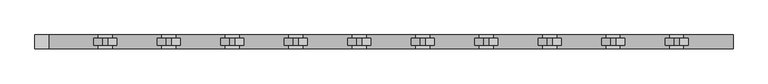
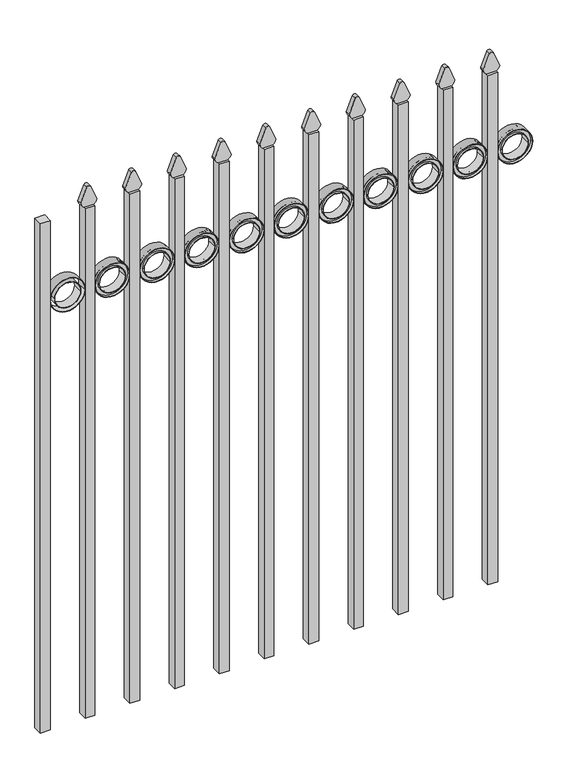
"""IFC4 building model written with IfcOpenShell, lengths in millimetres: railing geometry."""

import ifcopenshell
import ifcopenshell.guid

model = None  # the IFC model being written
_history = None  # IfcOwnerHistory: only IFC2X3 demands one
_inside = {}  # id of a spatial element -> (the spatial element, [elements in it])
_under = {}  # id of a project, library or spatial element -> (it, [spatial elements below it])
_declared = {}  # id of a project -> (the project, [libraries it declares])
_typed = {}  # id of a type object -> (the type object, [elements of that type])
_made_of = {}  # id of a material, layer set ... -> (it, [elements and type objects made of it])


def new_model(schema):
    """Start an empty IFC model of exactly this schema.

    Asked for "IFC4X3", IfcOpenShell would pick the latest addendum, in which some entities
    have other attributes; the version numbers below select the first issue.
    IFC2X3 requires an IfcOwnerHistory on every rooted entity: one is made here for all.
    """
    global model, _history
    if schema == "IFC4X3":
        model = ifcopenshell.file(schema_version=(4, 3, 0, 0))
    else:
        model = ifcopenshell.file(schema=schema)
    _inside.clear()
    _under.clear()
    _declared.clear()
    _typed.clear()
    _made_of.clear()
    _history = None
    if model.schema == "IFC2X3":
        org = make("IfcOrganization", Name="unknown")
        user = make(
            "IfcPersonAndOrganization",
            ThePerson=make("IfcPerson", FamilyName="unknown"),
            TheOrganization=org,
        )
        app = make(
            "IfcApplication",
            ApplicationDeveloper=org,
            Version="unknown",
            ApplicationFullName="unknown",
            ApplicationIdentifier="unknown",
        )
        _history = make(
            "IfcOwnerHistory",
            OwningUser=user,
            OwningApplication=app,
            ChangeAction="ADDED",
            CreationDate=0,
        )
    return model


def make(cls, **values):
    """One entity of the class cls with the attributes given. An attribute that is None is left unset."""
    return model.create_entity(
        cls, **{name: value for name, value in values.items() if value is not None}
    )


def rooted(cls, **values):
    """An entity with a GlobalId (a new one), such as an element, a storey or a relation."""
    return make(cls, GlobalId=ifcopenshell.guid.new(), OwnerHistory=_history, **values)


def si_unit(unit_type, name, prefix=None):
    """IfcSIUnit, for example si_unit("LENGTHUNIT", "METRE", prefix="MILLI")."""
    return make("IfcSIUnit", UnitType=unit_type, Prefix=prefix, Name=name)


def assignment(units):
    """IfcUnitAssignment: the units of a project."""
    return None if units is None else make("IfcUnitAssignment", Units=units)


def point(xyz):
    """IfcCartesianPoint."""
    return None if xyz is None else make("IfcCartesianPoint", Coordinates=xyz)


def direction(xyz):
    """IfcDirection."""
    return None if xyz is None else make("IfcDirection", DirectionRatios=xyz)


def frame(location, z_axis=None, x_axis=None):
    """IfcAxis2Placement3D, a coordinate frame: its origin and axes. An axis left out is left unset."""
    return make(
        "IfcAxis2Placement3D",
        Location=point(location),
        Axis=direction(z_axis),
        RefDirection=direction(x_axis),
    )


def frame_2d(location, x_axis=None):
    """IfcAxis2Placement2D, a coordinate frame in the plane: its origin and x axis."""
    return make(
        "IfcAxis2Placement2D", Location=point(location), RefDirection=direction(x_axis)
    )


def origin():
    """The frame at (0, 0, 0) with its axes left unset."""
    return frame((0.0, 0.0, 0.0))


def place(relative_to, where):
    """IfcLocalPlacement: puts the frame where relative to a parent placement (None: the world)."""
    return make(
        "IfcLocalPlacement", PlacementRelTo=relative_to, RelativePlacement=where
    )


def context(
    kind, dimensions, precision=None, world=None, true_north=None, identifier=None
):
    """IfcGeometricRepresentationContext, for example the 3D "Model" context."""
    return make(
        "IfcGeometricRepresentationContext",
        ContextIdentifier=identifier,
        ContextType=kind,
        CoordinateSpaceDimension=dimensions,
        Precision=precision,
        WorldCoordinateSystem=world,
        TrueNorth=true_north,
    )


def project(units=None, contexts=None):
    """IfcProject with its units and contexts."""
    return rooted(
        "IfcProject",
        Name="project",
        RepresentationContexts=contexts,
        UnitsInContext=assignment(units),
    )


def spatial(cls, under=None, at=None, **own):
    """A site, building, storey or space (cls), placed at a placement, below another one or the project."""
    s = rooted(cls, ObjectPlacement=at, **own)
    if under is not None:
        _under.setdefault(under.id(), (under, []))[1].append(s)
    return s


def polyline(points):
    """IfcPolyline through the points."""
    return make("IfcPolyline", Points=[point(p) for p in points])


def circle_curve(where, radius):
    """IfcCircle in the frame where."""
    return make("IfcCircle", Position=where, Radius=radius)


def trimmed(basis, trim1, trim2, sense, master):
    """IfcTrimmedCurve: the piece of a basis curve between two trims."""
    return make(
        "IfcTrimmedCurve",
        BasisCurve=basis,
        Trim1=trim1,
        Trim2=trim2,
        SenseAgreement=sense,
        MasterRepresentation=master,
    )


def segment(curve, same_sense, transition):
    """IfcCompositeCurveSegment."""
    return make(
        "IfcCompositeCurveSegment",
        Transition=transition,
        SameSense=same_sense,
        ParentCurve=curve,
    )


def composite_curve(segments, self_intersect=None):
    """IfcCompositeCurve: segments joined end to end."""
    return make("IfcCompositeCurve", Segments=segments, SelfIntersect=self_intersect)


def outline(outer, holes=None, kind="AREA"):
    """IfcArbitraryClosedProfileDef: a profile drawn as a closed curve; with holes, ...WithVoids."""
    if holes is None:
        return make("IfcArbitraryClosedProfileDef", ProfileType=kind, OuterCurve=outer)
    return make(
        "IfcArbitraryProfileDefWithVoids",
        ProfileType=kind,
        OuterCurve=outer,
        InnerCurves=holes,
    )


def extrude(swept, where, along, depth):
    """IfcExtrudedAreaSolid: the profile swept, set in the frame where, extruded along a direction by depth."""
    return make(
        "IfcExtrudedAreaSolid",
        SweptArea=swept,
        Position=where,
        ExtrudedDirection=direction(along),
        Depth=depth,
    )


def shape(context_of_items, identifier, shape_type, items):
    """IfcShapeRepresentation: the items that make up one representation, for example the "Body"."""
    return make(
        "IfcShapeRepresentation",
        ContextOfItems=context_of_items,
        RepresentationIdentifier=identifier,
        RepresentationType=shape_type,
        Items=items,
    )


def source(mapping_origin, context_of_items, identifier, shape_type, items):
    """IfcRepresentationMap: a shape defined once, which mapped items show again and again."""
    return make(
        "IfcRepresentationMap",
        MappingOrigin=mapping_origin,
        MappedRepresentation=shape(context_of_items, identifier, shape_type, items),
    )


def transform(
    local_origin,
    x_axis=None,
    y_axis=None,
    z_axis=None,
    scale=None,
    scale2=None,
    scale3=None,
    uniform=True,
):
    """IfcCartesianTransformationOperator3D, or its non-uniform kind. x_axis, y_axis, z_axis: its Axis1, 2, 3."""
    if uniform:
        return make(
            "IfcCartesianTransformationOperator3D",
            Axis1=direction(x_axis),
            Axis2=direction(y_axis),
            LocalOrigin=point(local_origin),
            Scale=scale,
            Axis3=direction(z_axis),
        )
    return make(
        "IfcCartesianTransformationOperator3DnonUniform",
        Axis1=direction(x_axis),
        Axis2=direction(y_axis),
        LocalOrigin=point(local_origin),
        Scale=scale,
        Axis3=direction(z_axis),
        Scale2=scale2,
        Scale3=scale3,
    )


def mapped(mapping_source, mapping_target):
    """IfcMappedItem: shows the shape of a source again, moved by a transform."""
    return make(
        "IfcMappedItem", MappingSource=mapping_source, MappingTarget=mapping_target
    )


def made_of(thing, what):
    """Note that an element or type object is made of a material, layer set ...; save() writes the relation."""
    if what is not None:
        _made_of.setdefault(what.id(), (what, []))[1].append(thing)
    return thing


def element(
    cls,
    number,
    at=None,
    inside=None,
    cuts=None,
    type_object=None,
    material=None,
    context=None,
    identifier="Body",
    shape_type=None,
    held_by="IfcProductDefinitionShape",
    body=None,
    shapes=None,
    **own,
):
    """One element of the class cls, such as IfcWall. Its Tag is "e" and its number.

    at: its placement. inside: the storey or other place that contains it. cuts: it is an
    opening in that element (IfcRelVoidsElement). A single representation is given by context,
    identifier, shape_type and body (its items); several are given by shapes. held_by: the class
    of the entity that holds the representations. save() writes the other relations.
    """
    e = rooted(cls, Tag="e%d" % number, ObjectPlacement=at, **own)
    if body is not None:
        shapes = [shape(context, identifier, shape_type, body)]
    if shapes is not None:
        e.Representation = make(held_by, Representations=shapes)
    if inside is not None:
        _inside.setdefault(inside.id(), (inside, []))[1].append(e)
    if cuts is not None:
        rooted(
            "IfcRelVoidsElement", RelatingBuildingElement=cuts, RelatedOpeningElement=e
        )
    if type_object is not None:
        _typed.setdefault(type_object.id(), (type_object, []))[1].append(e)
    return made_of(e, material)


def aggregate(whole, parts):
    """IfcRelAggregates: a whole, such as a stair, and the parts it consists of."""
    return rooted("IfcRelAggregates", RelatingObject=whole, RelatedObjects=parts)


def save(model, path):
    """Write the relations noted so far, then the file.

    IfcRelAggregates (storeys below a building ...), IfcRelContainedInSpatialStructure (elements
    in a storey), IfcRelDefinesByType, IfcRelAssociatesMaterial and IfcRelDeclares: one each for
    every whole, place, type object, material and project.
    """
    for whole, parts in _under.values():
        aggregate(whole, parts)
    for where, things in _inside.values():
        rooted(
            "IfcRelContainedInSpatialStructure",
            RelatedElements=things,
            RelatingStructure=where,
        )
    for kind, things in _typed.values():
        rooted("IfcRelDefinesByType", RelatedObjects=things, RelatingType=kind)
    for what, things in _made_of.values():
        rooted("IfcRelAssociatesMaterial", RelatedObjects=things, RelatingMaterial=what)
    for by, libraries in _declared.values():
        rooted("IfcRelDeclares", RelatingContext=by, RelatedDefinitions=libraries)
    model.write(path)


def railing_9eaf4788(model_context):
    return source(origin(), model_context, "Body", "SweptSolid", [
        extrude(outline(polyline([(-22591.9399936, 11905.619541), (-22566.5399936, 11905.619541), (-22566.5399936, 11880.219541), (-22591.9399936, 11880.219541), (-22591.9399936, 11905.619541)])), frame((0.0, 0.0, 50.8), z_axis=(0.0, 0.0, 1.0), x_axis=(1.0, 0.0, 0.0)), (0.0, 0.0, 1.0), 1413.6579232),
        extrude(outline(composite_curve([segment(trimmed(circle_curve(frame_2d((1242.1853669, -22520.4442595)), 45.6988591), [point((1242.1853669, -22474.7454004))], [point((1242.1853669, -22566.1431186))], False, "CARTESIAN"), True, "CONTINUOUS"), segment(trimmed(circle_curve(frame_2d((1242.1853669, -22520.4442595)), 45.6988591), [point((1242.1853669, -22566.1431186))], [point((1242.1853669, -22474.7454004))], False, "CARTESIAN"), True, "CONTINUOUS")], self_intersect=False), holes=[composite_curve([segment(trimmed(circle_curve(frame_2d((1242.1853669, -22520.4442595)), 44.101539), [point((1242.1853669, -22476.3427205))], [point((1242.1853669, -22564.5457985))], True, "CARTESIAN"), True, "CONTINUOUS"), segment(trimmed(circle_curve(frame_2d((1242.1853669, -22520.4442595)), 44.101539), [point((1242.1853669, -22564.5457985))], [point((1242.1853669, -22476.3427205))], True, "CARTESIAN"), True, "CONTINUOUS")], self_intersect=False)]), frame((0.0, 11880.219541, 0.0), z_axis=(0.0, 1.0, 0.0), x_axis=(0.0, 0.0, 1.0)), (0.0, 0.0, 1.0), 25.4),
        extrude(outline(composite_curve([segment(trimmed(circle_curve(frame_2d((1242.1853669, -22520.4442595)), 34.6370762), [point((1242.1853669, -22485.8071833))], [point((1242.1853669, -22555.0813357))], False, "CARTESIAN"), True, "CONTINUOUS"), segment(trimmed(circle_curve(frame_2d((1242.1853669, -22520.4442595)), 34.6370762), [point((1242.1853669, -22555.0813357))], [point((1242.1853669, -22485.8071833))], False, "CARTESIAN"), True, "CONTINUOUS")], self_intersect=False), holes=[composite_curve([segment(trimmed(circle_curve(frame_2d((1242.1853669, -22520.4442595)), 33.0443887), [point((1242.1853669, -22487.3998708))], [point((1242.1853669, -22553.4886482))], True, "CARTESIAN"), True, "CONTINUOUS"), segment(trimmed(circle_curve(frame_2d((1242.1853669, -22520.4442595)), 33.0443887), [point((1242.1853669, -22553.4886482))], [point((1242.1853669, -22487.3998708))], True, "CARTESIAN"), True, "CONTINUOUS")], self_intersect=False)]), frame((0.0, 11880.219541, 0.0), z_axis=(0.0, 1.0, 0.0), x_axis=(0.0, 0.0, 1.0)), (0.0, 0.0, 1.0), 25.4),
        extrude(outline(composite_curve([segment(polyline([(1464.6798417, -22591.9399936), (1464.6798417, -22566.2493116)]), True, "CONTINUOUS"), segment(trimmed(circle_curve(frame_2d((1482.9299402, -22580.4122336)), 23.1009622), [point((1464.6798417, -22566.2493116))], [point((1477.4676176, -22557.9663545))], False, "CARTESIAN"), True, "CONTINUOUS"), segment(polyline([(1477.4676176, -22557.9663545), (1517.9555225, -22574.2855644)]), True, "CONTINUOUS"), segment(trimmed(circle_curve(frame_2d((1514.8045804, -22579.4155764)), 6.0204202), [point((1517.9555225, -22574.2855644))], [point((1517.9555225, -22584.5455884))], False, "CARTESIAN"), True, "CONTINUOUS"), segment(polyline([(1517.9555225, -22584.5455884), (1478.7339948, -22600.4937724)]), True, "CONTINUOUS"), segment(trimmed(circle_curve(frame_2d((1482.9299402, -22577.7770716)), 23.1009622), [point((1478.7339948, -22600.4937724))], [point((1464.6798417, -22591.9399936))], False, "CARTESIAN"), True, "CONTINUOUS")], self_intersect=False)), frame((0.0, 11886.569541, 0.0), z_axis=(0.0, 1.0, 0.0), x_axis=(0.0, 0.0, 1.0)), (0.0, 0.0, 1.0), 12.7),
        extrude(outline(composite_curve([segment(trimmed(circle_curve(frame_2d((1242.1853669, -22520.4442595)), 45.6988591), [point((1242.1853669, -22474.7454004))], [point((1242.1853669, -22566.1431186))], False, "CARTESIAN"), True, "CONTINUOUS"), segment(trimmed(circle_curve(frame_2d((1242.1853669, -22520.4442595)), 45.6988591), [point((1242.1853669, -22566.1431186))], [point((1242.1853669, -22474.7454004))], False, "CARTESIAN"), True, "CONTINUOUS")], self_intersect=False), holes=[composite_curve([segment(trimmed(circle_curve(frame_2d((1242.1853669, -22520.4442595)), 33.0443887), [point((1242.1853669, -22487.3998708))], [point((1242.1853669, -22553.4886482))], True, "CARTESIAN"), True, "CONTINUOUS"), segment(trimmed(circle_curve(frame_2d((1242.1853669, -22520.4442595)), 33.0443887), [point((1242.1853669, -22553.4886482))], [point((1242.1853669, -22487.3998708))], True, "CARTESIAN"), True, "CONTINUOUS")], self_intersect=False)]), frame((0.0, 11886.569541, 0.0), z_axis=(0.0, 1.0, 0.0), x_axis=(0.0, 0.0, 1.0)), (0.0, 0.0, 1.0), 12.7),
        extrude(outline(polyline([(-22709.4149936, 11905.619541), (-22684.0149936, 11905.619541), (-22684.0149936, 11880.219541), (-22709.4149936, 11880.219541), (-22709.4149936, 11905.619541)])), frame((0.0, 0.0, 50.8), z_axis=(0.0, 0.0, 1.0), x_axis=(1.0, 0.0, 0.0)), (0.0, 0.0, 1.0), 1413.6579232),
        extrude(outline(composite_curve([segment(trimmed(circle_curve(frame_2d((1242.1853669, -22637.9192595)), 45.6988591), [point((1242.1853669, -22592.2204004))], [point((1242.1853669, -22683.6181186))], False, "CARTESIAN"), True, "CONTINUOUS"), segment(trimmed(circle_curve(frame_2d((1242.1853669, -22637.9192595)), 45.6988591), [point((1242.1853669, -22683.6181186))], [point((1242.1853669, -22592.2204004))], False, "CARTESIAN"), True, "CONTINUOUS")], self_intersect=False), holes=[composite_curve([segment(trimmed(circle_curve(frame_2d((1242.1853669, -22637.9192595)), 44.101539), [point((1242.1853669, -22593.8177205))], [point((1242.1853669, -22682.0207985))], True, "CARTESIAN"), True, "CONTINUOUS"), segment(trimmed(circle_curve(frame_2d((1242.1853669, -22637.9192595)), 44.101539), [point((1242.1853669, -22682.0207985))], [point((1242.1853669, -22593.8177205))], True, "CARTESIAN"), True, "CONTINUOUS")], self_intersect=False)]), frame((0.0, 11880.219541, 0.0), z_axis=(0.0, 1.0, 0.0), x_axis=(0.0, 0.0, 1.0)), (0.0, 0.0, 1.0), 25.4),
        extrude(outline(composite_curve([segment(trimmed(circle_curve(frame_2d((1242.1853669, -22637.9192595)), 34.6370762), [point((1242.1853669, -22603.2821833))], [point((1242.1853669, -22672.5563357))], False, "CARTESIAN"), True, "CONTINUOUS"), segment(trimmed(circle_curve(frame_2d((1242.1853669, -22637.9192595)), 34.6370762), [point((1242.1853669, -22672.5563357))], [point((1242.1853669, -22603.2821833))], False, "CARTESIAN"), True, "CONTINUOUS")], self_intersect=False), holes=[composite_curve([segment(trimmed(circle_curve(frame_2d((1242.1853669, -22637.9192595)), 33.0443887), [point((1242.1853669, -22604.8748708))], [point((1242.1853669, -22670.9636482))], True, "CARTESIAN"), True, "CONTINUOUS"), segment(trimmed(circle_curve(frame_2d((1242.1853669, -22637.9192595)), 33.0443887), [point((1242.1853669, -22670.9636482))], [point((1242.1853669, -22604.8748708))], True, "CARTESIAN"), True, "CONTINUOUS")], self_intersect=False)]), frame((0.0, 11880.219541, 0.0), z_axis=(0.0, 1.0, 0.0), x_axis=(0.0, 0.0, 1.0)), (0.0, 0.0, 1.0), 25.4),
        extrude(outline(composite_curve([segment(polyline([(1464.6798417, -22709.4149936), (1464.6798417, -22683.7243116)]), True, "CONTINUOUS"), segment(trimmed(circle_curve(frame_2d((1482.9299402, -22697.8872336)), 23.1009622), [point((1464.6798417, -22683.7243116))], [point((1477.4676176, -22675.4413545))], False, "CARTESIAN"), True, "CONTINUOUS"), segment(polyline([(1477.4676176, -22675.4413545), (1517.9555225, -22691.7605644)]), True, "CONTINUOUS"), segment(trimmed(circle_curve(frame_2d((1514.8045804, -22696.8905764)), 6.0204202), [point((1517.9555225, -22691.7605644))], [point((1517.9555225, -22702.0205884))], False, "CARTESIAN"), True, "CONTINUOUS"), segment(polyline([(1517.9555225, -22702.0205884), (1478.7339948, -22717.9687724)]), True, "CONTINUOUS"), segment(trimmed(circle_curve(frame_2d((1482.9299402, -22695.2520716)), 23.1009622), [point((1478.7339948, -22717.9687724))], [point((1464.6798417, -22709.4149936))], False, "CARTESIAN"), True, "CONTINUOUS")], self_intersect=False)), frame((0.0, 11886.569541, 0.0), z_axis=(0.0, 1.0, 0.0), x_axis=(0.0, 0.0, 1.0)), (0.0, 0.0, 1.0), 12.7),
        extrude(outline(composite_curve([segment(trimmed(circle_curve(frame_2d((1242.1853669, -22637.9192595)), 45.6988591), [point((1242.1853669, -22592.2204004))], [point((1242.1853669, -22683.6181186))], False, "CARTESIAN"), True, "CONTINUOUS"), segment(trimmed(circle_curve(frame_2d((1242.1853669, -22637.9192595)), 45.6988591), [point((1242.1853669, -22683.6181186))], [point((1242.1853669, -22592.2204004))], False, "CARTESIAN"), True, "CONTINUOUS")], self_intersect=False), holes=[composite_curve([segment(trimmed(circle_curve(frame_2d((1242.1853669, -22637.9192595)), 33.0443887), [point((1242.1853669, -22604.8748708))], [point((1242.1853669, -22670.9636482))], True, "CARTESIAN"), True, "CONTINUOUS"), segment(trimmed(circle_curve(frame_2d((1242.1853669, -22637.9192595)), 33.0443887), [point((1242.1853669, -22670.9636482))], [point((1242.1853669, -22604.8748708))], True, "CARTESIAN"), True, "CONTINUOUS")], self_intersect=False)]), frame((0.0, 11886.569541, 0.0), z_axis=(0.0, 1.0, 0.0), x_axis=(0.0, 0.0, 1.0)), (0.0, 0.0, 1.0), 12.7),
        extrude(outline(polyline([(-22826.8899936, 11905.619541), (-22801.4899936, 11905.619541), (-22801.4899936, 11880.219541), (-22826.8899936, 11880.219541), (-22826.8899936, 11905.619541)])), frame((0.0, 0.0, 50.8), z_axis=(0.0, 0.0, 1.0), x_axis=(1.0, 0.0, 0.0)), (0.0, 0.0, 1.0), 1413.6579232),
        extrude(outline(composite_curve([segment(trimmed(circle_curve(frame_2d((1242.1853669, -22755.3942595)), 45.6988591), [point((1242.1853669, -22709.6954004))], [point((1242.1853669, -22801.0931186))], False, "CARTESIAN"), True, "CONTINUOUS"), segment(trimmed(circle_curve(frame_2d((1242.1853669, -22755.3942595)), 45.6988591), [point((1242.1853669, -22801.0931186))], [point((1242.1853669, -22709.6954004))], False, "CARTESIAN"), True, "CONTINUOUS")], self_intersect=False), holes=[composite_curve([segment(trimmed(circle_curve(frame_2d((1242.1853669, -22755.3942595)), 44.101539), [point((1242.1853669, -22711.2927205))], [point((1242.1853669, -22799.4957985))], True, "CARTESIAN"), True, "CONTINUOUS"), segment(trimmed(circle_curve(frame_2d((1242.1853669, -22755.3942595)), 44.101539), [point((1242.1853669, -22799.4957985))], [point((1242.1853669, -22711.2927205))], True, "CARTESIAN"), True, "CONTINUOUS")], self_intersect=False)]), frame((0.0, 11880.219541, 0.0), z_axis=(0.0, 1.0, 0.0), x_axis=(0.0, 0.0, 1.0)), (0.0, 0.0, 1.0), 25.4),
        extrude(outline(composite_curve([segment(trimmed(circle_curve(frame_2d((1242.1853669, -22755.3942595)), 34.6370762), [point((1242.1853669, -22720.7571833))], [point((1242.1853669, -22790.0313357))], False, "CARTESIAN"), True, "CONTINUOUS"), segment(trimmed(circle_curve(frame_2d((1242.1853669, -22755.3942595)), 34.6370762), [point((1242.1853669, -22790.0313357))], [point((1242.1853669, -22720.7571833))], False, "CARTESIAN"), True, "CONTINUOUS")], self_intersect=False), holes=[composite_curve([segment(trimmed(circle_curve(frame_2d((1242.1853669, -22755.3942595)), 33.0443887), [point((1242.1853669, -22722.3498708))], [point((1242.1853669, -22788.4386482))], True, "CARTESIAN"), True, "CONTINUOUS"), segment(trimmed(circle_curve(frame_2d((1242.1853669, -22755.3942595)), 33.0443887), [point((1242.1853669, -22788.4386482))], [point((1242.1853669, -22722.3498708))], True, "CARTESIAN"), True, "CONTINUOUS")], self_intersect=False)]), frame((0.0, 11880.219541, 0.0), z_axis=(0.0, 1.0, 0.0), x_axis=(0.0, 0.0, 1.0)), (0.0, 0.0, 1.0), 25.4),
        extrude(outline(composite_curve([segment(polyline([(1464.6798417, -22826.8899936), (1464.6798417, -22801.1993116)]), True, "CONTINUOUS"), segment(trimmed(circle_curve(frame_2d((1482.9299402, -22815.3622336)), 23.1009622), [point((1464.6798417, -22801.1993116))], [point((1477.4676176, -22792.9163545))], False, "CARTESIAN"), True, "CONTINUOUS"), segment(polyline([(1477.4676176, -22792.9163545), (1517.9555225, -22809.2355644)]), True, "CONTINUOUS"), segment(trimmed(circle_curve(frame_2d((1514.8045804, -22814.3655764)), 6.0204202), [point((1517.9555225, -22809.2355644))], [point((1517.9555225, -22819.4955884))], False, "CARTESIAN"), True, "CONTINUOUS"), segment(polyline([(1517.9555225, -22819.4955884), (1478.7339948, -22835.4437724)]), True, "CONTINUOUS"), segment(trimmed(circle_curve(frame_2d((1482.9299402, -22812.7270716)), 23.1009622), [point((1478.7339948, -22835.4437724))], [point((1464.6798417, -22826.8899936))], False, "CARTESIAN"), True, "CONTINUOUS")], self_intersect=False)), frame((0.0, 11886.569541, 0.0), z_axis=(0.0, 1.0, 0.0), x_axis=(0.0, 0.0, 1.0)), (0.0, 0.0, 1.0), 12.7),
        extrude(outline(composite_curve([segment(trimmed(circle_curve(frame_2d((1242.1853669, -22755.3942595)), 45.6988591), [point((1242.1853669, -22709.6954004))], [point((1242.1853669, -22801.0931186))], False, "CARTESIAN"), True, "CONTINUOUS"), segment(trimmed(circle_curve(frame_2d((1242.1853669, -22755.3942595)), 45.6988591), [point((1242.1853669, -22801.0931186))], [point((1242.1853669, -22709.6954004))], False, "CARTESIAN"), True, "CONTINUOUS")], self_intersect=False), holes=[composite_curve([segment(trimmed(circle_curve(frame_2d((1242.1853669, -22755.3942595)), 33.0443887), [point((1242.1853669, -22722.3498708))], [point((1242.1853669, -22788.4386482))], True, "CARTESIAN"), True, "CONTINUOUS"), segment(trimmed(circle_curve(frame_2d((1242.1853669, -22755.3942595)), 33.0443887), [point((1242.1853669, -22788.4386482))], [point((1242.1853669, -22722.3498708))], True, "CARTESIAN"), True, "CONTINUOUS")], self_intersect=False)]), frame((0.0, 11886.569541, 0.0), z_axis=(0.0, 1.0, 0.0), x_axis=(0.0, 0.0, 1.0)), (0.0, 0.0, 1.0), 12.7),
        extrude(outline(polyline([(-22944.3649936, 11905.619541), (-22918.9649936, 11905.619541), (-22918.9649936, 11880.219541), (-22944.3649936, 11880.219541), (-22944.3649936, 11905.619541)])), frame((0.0, 0.0, 50.8), z_axis=(0.0, 0.0, 1.0), x_axis=(1.0, 0.0, 0.0)), (0.0, 0.0, 1.0), 1413.6579232),
        extrude(outline(composite_curve([segment(trimmed(circle_curve(frame_2d((1242.1853669, -22872.8692595)), 45.6988591), [point((1242.1853669, -22827.1704004))], [point((1242.1853669, -22918.5681186))], False, "CARTESIAN"), True, "CONTINUOUS"), segment(trimmed(circle_curve(frame_2d((1242.1853669, -22872.8692595)), 45.6988591), [point((1242.1853669, -22918.5681186))], [point((1242.1853669, -22827.1704004))], False, "CARTESIAN"), True, "CONTINUOUS")], self_intersect=False), holes=[composite_curve([segment(trimmed(circle_curve(frame_2d((1242.1853669, -22872.8692595)), 44.101539), [point((1242.1853669, -22828.7677205))], [point((1242.1853669, -22916.9707985))], True, "CARTESIAN"), True, "CONTINUOUS"), segment(trimmed(circle_curve(frame_2d((1242.1853669, -22872.8692595)), 44.101539), [point((1242.1853669, -22916.9707985))], [point((1242.1853669, -22828.7677205))], True, "CARTESIAN"), True, "CONTINUOUS")], self_intersect=False)]), frame((0.0, 11880.219541, 0.0), z_axis=(0.0, 1.0, 0.0), x_axis=(0.0, 0.0, 1.0)), (0.0, 0.0, 1.0), 25.4),
        extrude(outline(composite_curve([segment(trimmed(circle_curve(frame_2d((1242.1853669, -22872.8692595)), 34.6370762), [point((1242.1853669, -22838.2321833))], [point((1242.1853669, -22907.5063357))], False, "CARTESIAN"), True, "CONTINUOUS"), segment(trimmed(circle_curve(frame_2d((1242.1853669, -22872.8692595)), 34.6370762), [point((1242.1853669, -22907.5063357))], [point((1242.1853669, -22838.2321833))], False, "CARTESIAN"), True, "CONTINUOUS")], self_intersect=False), holes=[composite_curve([segment(trimmed(circle_curve(frame_2d((1242.1853669, -22872.8692595)), 33.0443887), [point((1242.1853669, -22839.8248708))], [point((1242.1853669, -22905.9136482))], True, "CARTESIAN"), True, "CONTINUOUS"), segment(trimmed(circle_curve(frame_2d((1242.1853669, -22872.8692595)), 33.0443887), [point((1242.1853669, -22905.9136482))], [point((1242.1853669, -22839.8248708))], True, "CARTESIAN"), True, "CONTINUOUS")], self_intersect=False)]), frame((0.0, 11880.219541, 0.0), z_axis=(0.0, 1.0, 0.0), x_axis=(0.0, 0.0, 1.0)), (0.0, 0.0, 1.0), 25.4),
        extrude(outline(composite_curve([segment(polyline([(1464.6798417, -22944.3649936), (1464.6798417, -22918.6743116)]), True, "CONTINUOUS"), segment(trimmed(circle_curve(frame_2d((1482.9299402, -22932.8372336)), 23.1009622), [point((1464.6798417, -22918.6743116))], [point((1477.4676176, -22910.3913545))], False, "CARTESIAN"), True, "CONTINUOUS"), segment(polyline([(1477.4676176, -22910.3913545), (1517.9555225, -22926.7105644)]), True, "CONTINUOUS"), segment(trimmed(circle_curve(frame_2d((1514.8045804, -22931.8405764)), 6.0204202), [point((1517.9555225, -22926.7105644))], [point((1517.9555225, -22936.9705884))], False, "CARTESIAN"), True, "CONTINUOUS"), segment(polyline([(1517.9555225, -22936.9705884), (1478.7339948, -22952.9187724)]), True, "CONTINUOUS"), segment(trimmed(circle_curve(frame_2d((1482.9299402, -22930.2020716)), 23.1009622), [point((1478.7339948, -22952.9187724))], [point((1464.6798417, -22944.3649936))], False, "CARTESIAN"), True, "CONTINUOUS")], self_intersect=False)), frame((0.0, 11886.569541, 0.0), z_axis=(0.0, 1.0, 0.0), x_axis=(0.0, 0.0, 1.0)), (0.0, 0.0, 1.0), 12.7),
        extrude(outline(composite_curve([segment(trimmed(circle_curve(frame_2d((1242.1853669, -22872.8692595)), 45.6988591), [point((1242.1853669, -22827.1704004))], [point((1242.1853669, -22918.5681186))], False, "CARTESIAN"), True, "CONTINUOUS"), segment(trimmed(circle_curve(frame_2d((1242.1853669, -22872.8692595)), 45.6988591), [point((1242.1853669, -22918.5681186))], [point((1242.1853669, -22827.1704004))], False, "CARTESIAN"), True, "CONTINUOUS")], self_intersect=False), holes=[composite_curve([segment(trimmed(circle_curve(frame_2d((1242.1853669, -22872.8692595)), 33.0443887), [point((1242.1853669, -22839.8248708))], [point((1242.1853669, -22905.9136482))], True, "CARTESIAN"), True, "CONTINUOUS"), segment(trimmed(circle_curve(frame_2d((1242.1853669, -22872.8692595)), 33.0443887), [point((1242.1853669, -22905.9136482))], [point((1242.1853669, -22839.8248708))], True, "CARTESIAN"), True, "CONTINUOUS")], self_intersect=False)]), frame((0.0, 11886.569541, 0.0), z_axis=(0.0, 1.0, 0.0), x_axis=(0.0, 0.0, 1.0)), (0.0, 0.0, 1.0), 12.7),
        extrude(outline(polyline([(-23061.8399936, 11905.619541), (-23036.4399936, 11905.619541), (-23036.4399936, 11880.219541), (-23061.8399936, 11880.219541), (-23061.8399936, 11905.619541)])), frame((0.0, 0.0, 50.8), z_axis=(0.0, 0.0, 1.0), x_axis=(1.0, 0.0, 0.0)), (0.0, 0.0, 1.0), 1413.6579232),
        extrude(outline(composite_curve([segment(trimmed(circle_curve(frame_2d((1242.1853669, -22990.3442595)), 45.6988591), [point((1242.1853669, -22944.6454004))], [point((1242.1853669, -23036.0431186))], False, "CARTESIAN"), True, "CONTINUOUS"), segment(trimmed(circle_curve(frame_2d((1242.1853669, -22990.3442595)), 45.6988591), [point((1242.1853669, -23036.0431186))], [point((1242.1853669, -22944.6454004))], False, "CARTESIAN"), True, "CONTINUOUS")], self_intersect=False), holes=[composite_curve([segment(trimmed(circle_curve(frame_2d((1242.1853669, -22990.3442595)), 44.101539), [point((1242.1853669, -22946.2427205))], [point((1242.1853669, -23034.4457985))], True, "CARTESIAN"), True, "CONTINUOUS"), segment(trimmed(circle_curve(frame_2d((1242.1853669, -22990.3442595)), 44.101539), [point((1242.1853669, -23034.4457985))], [point((1242.1853669, -22946.2427205))], True, "CARTESIAN"), True, "CONTINUOUS")], self_intersect=False)]), frame((0.0, 11880.219541, 0.0), z_axis=(0.0, 1.0, 0.0), x_axis=(0.0, 0.0, 1.0)), (0.0, 0.0, 1.0), 25.4),
        extrude(outline(composite_curve([segment(trimmed(circle_curve(frame_2d((1242.1853669, -22990.3442595)), 34.6370762), [point((1242.1853669, -22955.7071833))], [point((1242.1853669, -23024.9813357))], False, "CARTESIAN"), True, "CONTINUOUS"), segment(trimmed(circle_curve(frame_2d((1242.1853669, -22990.3442595)), 34.6370762), [point((1242.1853669, -23024.9813357))], [point((1242.1853669, -22955.7071833))], False, "CARTESIAN"), True, "CONTINUOUS")], self_intersect=False), holes=[composite_curve([segment(trimmed(circle_curve(frame_2d((1242.1853669, -22990.3442595)), 33.0443887), [point((1242.1853669, -22957.2998708))], [point((1242.1853669, -23023.3886482))], True, "CARTESIAN"), True, "CONTINUOUS"), segment(trimmed(circle_curve(frame_2d((1242.1853669, -22990.3442595)), 33.0443887), [point((1242.1853669, -23023.3886482))], [point((1242.1853669, -22957.2998708))], True, "CARTESIAN"), True, "CONTINUOUS")], self_intersect=False)]), frame((0.0, 11880.219541, 0.0), z_axis=(0.0, 1.0, 0.0), x_axis=(0.0, 0.0, 1.0)), (0.0, 0.0, 1.0), 25.4),
        extrude(outline(composite_curve([segment(polyline([(1464.6798417, -23061.8399936), (1464.6798417, -23036.1493116)]), True, "CONTINUOUS"), segment(trimmed(circle_curve(frame_2d((1482.9299402, -23050.3122336)), 23.1009622), [point((1464.6798417, -23036.1493116))], [point((1477.4676176, -23027.8663545))], False, "CARTESIAN"), True, "CONTINUOUS"), segment(polyline([(1477.4676176, -23027.8663545), (1517.9555225, -23044.1855644)]), True, "CONTINUOUS"), segment(trimmed(circle_curve(frame_2d((1514.8045804, -23049.3155764)), 6.0204202), [point((1517.9555225, -23044.1855644))], [point((1517.9555225, -23054.4455884))], False, "CARTESIAN"), True, "CONTINUOUS"), segment(polyline([(1517.9555225, -23054.4455884), (1478.7339948, -23070.3937724)]), True, "CONTINUOUS"), segment(trimmed(circle_curve(frame_2d((1482.9299402, -23047.6770716)), 23.1009622), [point((1478.7339948, -23070.3937724))], [point((1464.6798417, -23061.8399936))], False, "CARTESIAN"), True, "CONTINUOUS")], self_intersect=False)), frame((0.0, 11886.569541, 0.0), z_axis=(0.0, 1.0, 0.0), x_axis=(0.0, 0.0, 1.0)), (0.0, 0.0, 1.0), 12.7),
        extrude(outline(composite_curve([segment(trimmed(circle_curve(frame_2d((1242.1853669, -22990.3442595)), 45.6988591), [point((1242.1853669, -22944.6454004))], [point((1242.1853669, -23036.0431186))], False, "CARTESIAN"), True, "CONTINUOUS"), segment(trimmed(circle_curve(frame_2d((1242.1853669, -22990.3442595)), 45.6988591), [point((1242.1853669, -23036.0431186))], [point((1242.1853669, -22944.6454004))], False, "CARTESIAN"), True, "CONTINUOUS")], self_intersect=False), holes=[composite_curve([segment(trimmed(circle_curve(frame_2d((1242.1853669, -22990.3442595)), 33.0443887), [point((1242.1853669, -22957.2998708))], [point((1242.1853669, -23023.3886482))], True, "CARTESIAN"), True, "CONTINUOUS"), segment(trimmed(circle_curve(frame_2d((1242.1853669, -22990.3442595)), 33.0443887), [point((1242.1853669, -23023.3886482))], [point((1242.1853669, -22957.2998708))], True, "CARTESIAN"), True, "CONTINUOUS")], self_intersect=False)]), frame((0.0, 11886.569541, 0.0), z_axis=(0.0, 1.0, 0.0), x_axis=(0.0, 0.0, 1.0)), (0.0, 0.0, 1.0), 12.7),
        extrude(outline(polyline([(-23179.3149936, 11905.619541), (-23153.9149936, 11905.619541), (-23153.9149936, 11880.219541), (-23179.3149936, 11880.219541), (-23179.3149936, 11905.619541)])), frame((0.0, 0.0, 50.8), z_axis=(0.0, 0.0, 1.0), x_axis=(1.0, 0.0, 0.0)), (0.0, 0.0, 1.0), 1413.6579232),
        extrude(outline(composite_curve([segment(trimmed(circle_curve(frame_2d((1242.1853669, -23107.8192595)), 45.6988591), [point((1242.1853669, -23062.1204004))], [point((1242.1853669, -23153.5181186))], False, "CARTESIAN"), True, "CONTINUOUS"), segment(trimmed(circle_curve(frame_2d((1242.1853669, -23107.8192595)), 45.6988591), [point((1242.1853669, -23153.5181186))], [point((1242.1853669, -23062.1204004))], False, "CARTESIAN"), True, "CONTINUOUS")], self_intersect=False), holes=[composite_curve([segment(trimmed(circle_curve(frame_2d((1242.1853669, -23107.8192595)), 44.101539), [point((1242.1853669, -23063.7177205))], [point((1242.1853669, -23151.9207985))], True, "CARTESIAN"), True, "CONTINUOUS"), segment(trimmed(circle_curve(frame_2d((1242.1853669, -23107.8192595)), 44.101539), [point((1242.1853669, -23151.9207985))], [point((1242.1853669, -23063.7177205))], True, "CARTESIAN"), True, "CONTINUOUS")], self_intersect=False)]), frame((0.0, 11880.219541, 0.0), z_axis=(0.0, 1.0, 0.0), x_axis=(0.0, 0.0, 1.0)), (0.0, 0.0, 1.0), 25.4),
        extrude(outline(composite_curve([segment(trimmed(circle_curve(frame_2d((1242.1853669, -23107.8192595)), 34.6370762), [point((1242.1853669, -23073.1821833))], [point((1242.1853669, -23142.4563357))], False, "CARTESIAN"), True, "CONTINUOUS"), segment(trimmed(circle_curve(frame_2d((1242.1853669, -23107.8192595)), 34.6370762), [point((1242.1853669, -23142.4563357))], [point((1242.1853669, -23073.1821833))], False, "CARTESIAN"), True, "CONTINUOUS")], self_intersect=False), holes=[composite_curve([segment(trimmed(circle_curve(frame_2d((1242.1853669, -23107.8192595)), 33.0443887), [point((1242.1853669, -23074.7748708))], [point((1242.1853669, -23140.8636482))], True, "CARTESIAN"), True, "CONTINUOUS"), segment(trimmed(circle_curve(frame_2d((1242.1853669, -23107.8192595)), 33.0443887), [point((1242.1853669, -23140.8636482))], [point((1242.1853669, -23074.7748708))], True, "CARTESIAN"), True, "CONTINUOUS")], self_intersect=False)]), frame((0.0, 11880.219541, 0.0), z_axis=(0.0, 1.0, 0.0), x_axis=(0.0, 0.0, 1.0)), (0.0, 0.0, 1.0), 25.4),
        extrude(outline(composite_curve([segment(polyline([(1464.6798417, -23179.3149936), (1464.6798417, -23153.6243116)]), True, "CONTINUOUS"), segment(trimmed(circle_curve(frame_2d((1482.9299402, -23167.7872336)), 23.1009622), [point((1464.6798417, -23153.6243116))], [point((1477.4676176, -23145.3413545))], False, "CARTESIAN"), True, "CONTINUOUS"), segment(polyline([(1477.4676176, -23145.3413545), (1517.9555225, -23161.6605644)]), True, "CONTINUOUS"), segment(trimmed(circle_curve(frame_2d((1514.8045804, -23166.7905764)), 6.0204202), [point((1517.9555225, -23161.6605644))], [point((1517.9555225, -23171.9205884))], False, "CARTESIAN"), True, "CONTINUOUS"), segment(polyline([(1517.9555225, -23171.9205884), (1478.7339948, -23187.8687724)]), True, "CONTINUOUS"), segment(trimmed(circle_curve(frame_2d((1482.9299402, -23165.1520716)), 23.1009622), [point((1478.7339948, -23187.8687724))], [point((1464.6798417, -23179.3149936))], False, "CARTESIAN"), True, "CONTINUOUS")], self_intersect=False)), frame((0.0, 11886.569541, 0.0), z_axis=(0.0, 1.0, 0.0), x_axis=(0.0, 0.0, 1.0)), (0.0, 0.0, 1.0), 12.7),
        extrude(outline(composite_curve([segment(trimmed(circle_curve(frame_2d((1242.1853669, -23107.8192595)), 45.6988591), [point((1242.1853669, -23062.1204004))], [point((1242.1853669, -23153.5181186))], False, "CARTESIAN"), True, "CONTINUOUS"), segment(trimmed(circle_curve(frame_2d((1242.1853669, -23107.8192595)), 45.6988591), [point((1242.1853669, -23153.5181186))], [point((1242.1853669, -23062.1204004))], False, "CARTESIAN"), True, "CONTINUOUS")], self_intersect=False), holes=[composite_curve([segment(trimmed(circle_curve(frame_2d((1242.1853669, -23107.8192595)), 33.0443887), [point((1242.1853669, -23074.7748708))], [point((1242.1853669, -23140.8636482))], True, "CARTESIAN"), True, "CONTINUOUS"), segment(trimmed(circle_curve(frame_2d((1242.1853669, -23107.8192595)), 33.0443887), [point((1242.1853669, -23140.8636482))], [point((1242.1853669, -23074.7748708))], True, "CARTESIAN"), True, "CONTINUOUS")], self_intersect=False)]), frame((0.0, 11886.569541, 0.0), z_axis=(0.0, 1.0, 0.0), x_axis=(0.0, 0.0, 1.0)), (0.0, 0.0, 1.0), 12.7),
        extrude(outline(polyline([(-23296.7899936, 11905.619541), (-23271.3899936, 11905.619541), (-23271.3899936, 11880.219541), (-23296.7899936, 11880.219541), (-23296.7899936, 11905.619541)])), frame((0.0, 0.0, 50.8), z_axis=(0.0, 0.0, 1.0), x_axis=(1.0, 0.0, 0.0)), (0.0, 0.0, 1.0), 1413.6579232),
        extrude(outline(composite_curve([segment(trimmed(circle_curve(frame_2d((1242.1853669, -23225.2942595)), 45.6988591), [point((1242.1853669, -23179.5954004))], [point((1242.1853669, -23270.9931186))], False, "CARTESIAN"), True, "CONTINUOUS"), segment(trimmed(circle_curve(frame_2d((1242.1853669, -23225.2942595)), 45.6988591), [point((1242.1853669, -23270.9931186))], [point((1242.1853669, -23179.5954004))], False, "CARTESIAN"), True, "CONTINUOUS")], self_intersect=False), holes=[composite_curve([segment(trimmed(circle_curve(frame_2d((1242.1853669, -23225.2942595)), 44.101539), [point((1242.1853669, -23181.1927205))], [point((1242.1853669, -23269.3957985))], True, "CARTESIAN"), True, "CONTINUOUS"), segment(trimmed(circle_curve(frame_2d((1242.1853669, -23225.2942595)), 44.101539), [point((1242.1853669, -23269.3957985))], [point((1242.1853669, -23181.1927205))], True, "CARTESIAN"), True, "CONTINUOUS")], self_intersect=False)]), frame((0.0, 11880.219541, 0.0), z_axis=(0.0, 1.0, 0.0), x_axis=(0.0, 0.0, 1.0)), (0.0, 0.0, 1.0), 25.4),
        extrude(outline(composite_curve([segment(trimmed(circle_curve(frame_2d((1242.1853669, -23225.2942595)), 34.6370762), [point((1242.1853669, -23190.6571833))], [point((1242.1853669, -23259.9313357))], False, "CARTESIAN"), True, "CONTINUOUS"), segment(trimmed(circle_curve(frame_2d((1242.1853669, -23225.2942595)), 34.6370762), [point((1242.1853669, -23259.9313357))], [point((1242.1853669, -23190.6571833))], False, "CARTESIAN"), True, "CONTINUOUS")], self_intersect=False), holes=[composite_curve([segment(trimmed(circle_curve(frame_2d((1242.1853669, -23225.2942595)), 33.0443887), [point((1242.1853669, -23192.2498708))], [point((1242.1853669, -23258.3386482))], True, "CARTESIAN"), True, "CONTINUOUS"), segment(trimmed(circle_curve(frame_2d((1242.1853669, -23225.2942595)), 33.0443887), [point((1242.1853669, -23258.3386482))], [point((1242.1853669, -23192.2498708))], True, "CARTESIAN"), True, "CONTINUOUS")], self_intersect=False)]), frame((0.0, 11880.219541, 0.0), z_axis=(0.0, 1.0, 0.0), x_axis=(0.0, 0.0, 1.0)), (0.0, 0.0, 1.0), 25.4),
        extrude(outline(composite_curve([segment(polyline([(1464.6798417, -23296.7899936), (1464.6798417, -23271.0993116)]), True, "CONTINUOUS"), segment(trimmed(circle_curve(frame_2d((1482.9299402, -23285.2622336)), 23.1009622), [point((1464.6798417, -23271.0993116))], [point((1477.4676176, -23262.8163545))], False, "CARTESIAN"), True, "CONTINUOUS"), segment(polyline([(1477.4676176, -23262.8163545), (1517.9555225, -23279.1355644)]), True, "CONTINUOUS"), segment(trimmed(circle_curve(frame_2d((1514.8045804, -23284.2655764)), 6.0204202), [point((1517.9555225, -23279.1355644))], [point((1517.9555225, -23289.3955884))], False, "CARTESIAN"), True, "CONTINUOUS"), segment(polyline([(1517.9555225, -23289.3955884), (1478.7339948, -23305.3437724)]), True, "CONTINUOUS"), segment(trimmed(circle_curve(frame_2d((1482.9299402, -23282.6270716)), 23.1009622), [point((1478.7339948, -23305.3437724))], [point((1464.6798417, -23296.7899936))], False, "CARTESIAN"), True, "CONTINUOUS")], self_intersect=False)), frame((0.0, 11886.569541, 0.0), z_axis=(0.0, 1.0, 0.0), x_axis=(0.0, 0.0, 1.0)), (0.0, 0.0, 1.0), 12.7),
        extrude(outline(composite_curve([segment(trimmed(circle_curve(frame_2d((1242.1853669, -23225.2942595)), 45.6988591), [point((1242.1853669, -23179.5954004))], [point((1242.1853669, -23270.9931186))], False, "CARTESIAN"), True, "CONTINUOUS"), segment(trimmed(circle_curve(frame_2d((1242.1853669, -23225.2942595)), 45.6988591), [point((1242.1853669, -23270.9931186))], [point((1242.1853669, -23179.5954004))], False, "CARTESIAN"), True, "CONTINUOUS")], self_intersect=False), holes=[composite_curve([segment(trimmed(circle_curve(frame_2d((1242.1853669, -23225.2942595)), 33.0443887), [point((1242.1853669, -23192.2498708))], [point((1242.1853669, -23258.3386482))], True, "CARTESIAN"), True, "CONTINUOUS"), segment(trimmed(circle_curve(frame_2d((1242.1853669, -23225.2942595)), 33.0443887), [point((1242.1853669, -23258.3386482))], [point((1242.1853669, -23192.2498708))], True, "CARTESIAN"), True, "CONTINUOUS")], self_intersect=False)]), frame((0.0, 11886.569541, 0.0), z_axis=(0.0, 1.0, 0.0), x_axis=(0.0, 0.0, 1.0)), (0.0, 0.0, 1.0), 12.7),
        extrude(outline(polyline([(-23414.2649936, 11905.619541), (-23388.8649936, 11905.619541), (-23388.8649936, 11880.219541), (-23414.2649936, 11880.219541), (-23414.2649936, 11905.619541)])), frame((0.0, 0.0, 50.8), z_axis=(0.0, 0.0, 1.0), x_axis=(1.0, 0.0, 0.0)), (0.0, 0.0, 1.0), 1413.6579232),
        extrude(outline(composite_curve([segment(trimmed(circle_curve(frame_2d((1242.1853669, -23342.7692595)), 45.6988591), [point((1242.1853669, -23297.0704004))], [point((1242.1853669, -23388.4681186))], False, "CARTESIAN"), True, "CONTINUOUS"), segment(trimmed(circle_curve(frame_2d((1242.1853669, -23342.7692595)), 45.6988591), [point((1242.1853669, -23388.4681186))], [point((1242.1853669, -23297.0704004))], False, "CARTESIAN"), True, "CONTINUOUS")], self_intersect=False), holes=[composite_curve([segment(trimmed(circle_curve(frame_2d((1242.1853669, -23342.7692595)), 44.101539), [point((1242.1853669, -23298.6677205))], [point((1242.1853669, -23386.8707985))], True, "CARTESIAN"), True, "CONTINUOUS"), segment(trimmed(circle_curve(frame_2d((1242.1853669, -23342.7692595)), 44.101539), [point((1242.1853669, -23386.8707985))], [point((1242.1853669, -23298.6677205))], True, "CARTESIAN"), True, "CONTINUOUS")], self_intersect=False)]), frame((0.0, 11880.219541, 0.0), z_axis=(0.0, 1.0, 0.0), x_axis=(0.0, 0.0, 1.0)), (0.0, 0.0, 1.0), 25.4),
        extrude(outline(composite_curve([segment(trimmed(circle_curve(frame_2d((1242.1853669, -23342.7692595)), 34.6370762), [point((1242.1853669, -23308.1321833))], [point((1242.1853669, -23377.4063357))], False, "CARTESIAN"), True, "CONTINUOUS"), segment(trimmed(circle_curve(frame_2d((1242.1853669, -23342.7692595)), 34.6370762), [point((1242.1853669, -23377.4063357))], [point((1242.1853669, -23308.1321833))], False, "CARTESIAN"), True, "CONTINUOUS")], self_intersect=False), holes=[composite_curve([segment(trimmed(circle_curve(frame_2d((1242.1853669, -23342.7692595)), 33.0443887), [point((1242.1853669, -23309.7248708))], [point((1242.1853669, -23375.8136482))], True, "CARTESIAN"), True, "CONTINUOUS"), segment(trimmed(circle_curve(frame_2d((1242.1853669, -23342.7692595)), 33.0443887), [point((1242.1853669, -23375.8136482))], [point((1242.1853669, -23309.7248708))], True, "CARTESIAN"), True, "CONTINUOUS")], self_intersect=False)]), frame((0.0, 11880.219541, 0.0), z_axis=(0.0, 1.0, 0.0), x_axis=(0.0, 0.0, 1.0)), (0.0, 0.0, 1.0), 25.4),
        extrude(outline(composite_curve([segment(polyline([(1464.6798417, -23414.2649936), (1464.6798417, -23388.5743116)]), True, "CONTINUOUS"), segment(trimmed(circle_curve(frame_2d((1482.9299402, -23402.7372336)), 23.1009622), [point((1464.6798417, -23388.5743116))], [point((1477.4676176, -23380.2913545))], False, "CARTESIAN"), True, "CONTINUOUS"), segment(polyline([(1477.4676176, -23380.2913545), (1517.9555225, -23396.6105644)]), True, "CONTINUOUS"), segment(trimmed(circle_curve(frame_2d((1514.8045804, -23401.7405764)), 6.0204202), [point((1517.9555225, -23396.6105644))], [point((1517.9555225, -23406.8705884))], False, "CARTESIAN"), True, "CONTINUOUS"), segment(polyline([(1517.9555225, -23406.8705884), (1478.7339948, -23422.8187724)]), True, "CONTINUOUS"), segment(trimmed(circle_curve(frame_2d((1482.9299402, -23400.1020716)), 23.1009622), [point((1478.7339948, -23422.8187724))], [point((1464.6798417, -23414.2649936))], False, "CARTESIAN"), True, "CONTINUOUS")], self_intersect=False)), frame((0.0, 11886.569541, 0.0), z_axis=(0.0, 1.0, 0.0), x_axis=(0.0, 0.0, 1.0)), (0.0, 0.0, 1.0), 12.7),
        extrude(outline(composite_curve([segment(trimmed(circle_curve(frame_2d((1242.1853669, -23342.7692595)), 45.6988591), [point((1242.1853669, -23297.0704004))], [point((1242.1853669, -23388.4681186))], False, "CARTESIAN"), True, "CONTINUOUS"), segment(trimmed(circle_curve(frame_2d((1242.1853669, -23342.7692595)), 45.6988591), [point((1242.1853669, -23388.4681186))], [point((1242.1853669, -23297.0704004))], False, "CARTESIAN"), True, "CONTINUOUS")], self_intersect=False), holes=[composite_curve([segment(trimmed(circle_curve(frame_2d((1242.1853669, -23342.7692595)), 33.0443887), [point((1242.1853669, -23309.7248708))], [point((1242.1853669, -23375.8136482))], True, "CARTESIAN"), True, "CONTINUOUS"), segment(trimmed(circle_curve(frame_2d((1242.1853669, -23342.7692595)), 33.0443887), [point((1242.1853669, -23375.8136482))], [point((1242.1853669, -23309.7248708))], True, "CARTESIAN"), True, "CONTINUOUS")], self_intersect=False)]), frame((0.0, 11886.569541, 0.0), z_axis=(0.0, 1.0, 0.0), x_axis=(0.0, 0.0, 1.0)), (0.0, 0.0, 1.0), 12.7),
        extrude(outline(polyline([(-23531.7399936, 11905.619541), (-23506.3399936, 11905.619541), (-23506.3399936, 11880.219541), (-23531.7399936, 11880.219541), (-23531.7399936, 11905.619541)])), frame((0.0, 0.0, 50.8), z_axis=(0.0, 0.0, 1.0), x_axis=(1.0, 0.0, 0.0)), (0.0, 0.0, 1.0), 1413.6579232),
        extrude(outline(composite_curve([segment(trimmed(circle_curve(frame_2d((1242.1853669, -23460.2442595)), 45.6988591), [point((1242.1853669, -23414.5454004))], [point((1242.1853669, -23505.9431186))], False, "CARTESIAN"), True, "CONTINUOUS"), segment(trimmed(circle_curve(frame_2d((1242.1853669, -23460.2442595)), 45.6988591), [point((1242.1853669, -23505.9431186))], [point((1242.1853669, -23414.5454004))], False, "CARTESIAN"), True, "CONTINUOUS")], self_intersect=False), holes=[composite_curve([segment(trimmed(circle_curve(frame_2d((1242.1853669, -23460.2442595)), 44.101539), [point((1242.1853669, -23416.1427205))], [point((1242.1853669, -23504.3457985))], True, "CARTESIAN"), True, "CONTINUOUS"), segment(trimmed(circle_curve(frame_2d((1242.1853669, -23460.2442595)), 44.101539), [point((1242.1853669, -23504.3457985))], [point((1242.1853669, -23416.1427205))], True, "CARTESIAN"), True, "CONTINUOUS")], self_intersect=False)]), frame((0.0, 11880.219541, 0.0), z_axis=(0.0, 1.0, 0.0), x_axis=(0.0, 0.0, 1.0)), (0.0, 0.0, 1.0), 25.4),
        extrude(outline(composite_curve([segment(trimmed(circle_curve(frame_2d((1242.1853669, -23460.2442595)), 34.6370762), [point((1242.1853669, -23425.6071833))], [point((1242.1853669, -23494.8813357))], False, "CARTESIAN"), True, "CONTINUOUS"), segment(trimmed(circle_curve(frame_2d((1242.1853669, -23460.2442595)), 34.6370762), [point((1242.1853669, -23494.8813357))], [point((1242.1853669, -23425.6071833))], False, "CARTESIAN"), True, "CONTINUOUS")], self_intersect=False), holes=[composite_curve([segment(trimmed(circle_curve(frame_2d((1242.1853669, -23460.2442595)), 33.0443887), [point((1242.1853669, -23427.1998708))], [point((1242.1853669, -23493.2886482))], True, "CARTESIAN"), True, "CONTINUOUS"), segment(trimmed(circle_curve(frame_2d((1242.1853669, -23460.2442595)), 33.0443887), [point((1242.1853669, -23493.2886482))], [point((1242.1853669, -23427.1998708))], True, "CARTESIAN"), True, "CONTINUOUS")], self_intersect=False)]), frame((0.0, 11880.219541, 0.0), z_axis=(0.0, 1.0, 0.0), x_axis=(0.0, 0.0, 1.0)), (0.0, 0.0, 1.0), 25.4),
        extrude(outline(composite_curve([segment(polyline([(1464.6798417, -23531.7399936), (1464.6798417, -23506.0493116)]), True, "CONTINUOUS"), segment(trimmed(circle_curve(frame_2d((1482.9299402, -23520.2122336)), 23.1009622), [point((1464.6798417, -23506.0493116))], [point((1477.4676176, -23497.7663545))], False, "CARTESIAN"), True, "CONTINUOUS"), segment(polyline([(1477.4676176, -23497.7663545), (1517.9555225, -23514.0855644)]), True, "CONTINUOUS"), segment(trimmed(circle_curve(frame_2d((1514.8045804, -23519.2155764)), 6.0204202), [point((1517.9555225, -23514.0855644))], [point((1517.9555225, -23524.3455884))], False, "CARTESIAN"), True, "CONTINUOUS"), segment(polyline([(1517.9555225, -23524.3455884), (1478.7339948, -23540.2937724)]), True, "CONTINUOUS"), segment(trimmed(circle_curve(frame_2d((1482.9299402, -23517.5770716)), 23.1009622), [point((1478.7339948, -23540.2937724))], [point((1464.6798417, -23531.7399936))], False, "CARTESIAN"), True, "CONTINUOUS")], self_intersect=False)), frame((0.0, 11886.569541, 0.0), z_axis=(0.0, 1.0, 0.0), x_axis=(0.0, 0.0, 1.0)), (0.0, 0.0, 1.0), 12.7),
        extrude(outline(composite_curve([segment(trimmed(circle_curve(frame_2d((1242.1853669, -23460.2442595)), 45.6988591), [point((1242.1853669, -23414.5454004))], [point((1242.1853669, -23505.9431186))], False, "CARTESIAN"), True, "CONTINUOUS"), segment(trimmed(circle_curve(frame_2d((1242.1853669, -23460.2442595)), 45.6988591), [point((1242.1853669, -23505.9431186))], [point((1242.1853669, -23414.5454004))], False, "CARTESIAN"), True, "CONTINUOUS")], self_intersect=False), holes=[composite_curve([segment(trimmed(circle_curve(frame_2d((1242.1853669, -23460.2442595)), 33.0443887), [point((1242.1853669, -23427.1998708))], [point((1242.1853669, -23493.2886482))], True, "CARTESIAN"), True, "CONTINUOUS"), segment(trimmed(circle_curve(frame_2d((1242.1853669, -23460.2442595)), 33.0443887), [point((1242.1853669, -23493.2886482))], [point((1242.1853669, -23427.1998708))], True, "CARTESIAN"), True, "CONTINUOUS")], self_intersect=False)]), frame((0.0, 11886.569541, 0.0), z_axis=(0.0, 1.0, 0.0), x_axis=(0.0, 0.0, 1.0)), (0.0, 0.0, 1.0), 12.7),
        extrude(outline(polyline([(-23649.2149936, 11905.619541), (-23623.8149936, 11905.619541), (-23623.8149936, 11880.219541), (-23649.2149936, 11880.219541), (-23649.2149936, 11905.619541)])), frame((0.0, 0.0, 50.8), z_axis=(0.0, 0.0, 1.0), x_axis=(1.0, 0.0, 0.0)), (0.0, 0.0, 1.0), 1413.6579232),
        extrude(outline(composite_curve([segment(trimmed(circle_curve(frame_2d((1242.1853669, -23577.7192595)), 45.6988591), [point((1242.1853669, -23532.0204004))], [point((1242.1853669, -23623.4181186))], False, "CARTESIAN"), True, "CONTINUOUS"), segment(trimmed(circle_curve(frame_2d((1242.1853669, -23577.7192595)), 45.6988591), [point((1242.1853669, -23623.4181186))], [point((1242.1853669, -23532.0204004))], False, "CARTESIAN"), True, "CONTINUOUS")], self_intersect=False), holes=[composite_curve([segment(trimmed(circle_curve(frame_2d((1242.1853669, -23577.7192595)), 44.101539), [point((1242.1853669, -23533.6177205))], [point((1242.1853669, -23621.8207985))], True, "CARTESIAN"), True, "CONTINUOUS"), segment(trimmed(circle_curve(frame_2d((1242.1853669, -23577.7192595)), 44.101539), [point((1242.1853669, -23621.8207985))], [point((1242.1853669, -23533.6177205))], True, "CARTESIAN"), True, "CONTINUOUS")], self_intersect=False)]), frame((0.0, 11880.219541, 0.0), z_axis=(0.0, 1.0, 0.0), x_axis=(0.0, 0.0, 1.0)), (0.0, 0.0, 1.0), 25.4),
        extrude(outline(composite_curve([segment(trimmed(circle_curve(frame_2d((1242.1853669, -23577.7192595)), 34.6370762), [point((1242.1853669, -23543.0821833))], [point((1242.1853669, -23612.3563357))], False, "CARTESIAN"), True, "CONTINUOUS"), segment(trimmed(circle_curve(frame_2d((1242.1853669, -23577.7192595)), 34.6370762), [point((1242.1853669, -23612.3563357))], [point((1242.1853669, -23543.0821833))], False, "CARTESIAN"), True, "CONTINUOUS")], self_intersect=False), holes=[composite_curve([segment(trimmed(circle_curve(frame_2d((1242.1853669, -23577.7192595)), 33.0443887), [point((1242.1853669, -23544.6748708))], [point((1242.1853669, -23610.7636482))], True, "CARTESIAN"), True, "CONTINUOUS"), segment(trimmed(circle_curve(frame_2d((1242.1853669, -23577.7192595)), 33.0443887), [point((1242.1853669, -23610.7636482))], [point((1242.1853669, -23544.6748708))], True, "CARTESIAN"), True, "CONTINUOUS")], self_intersect=False)]), frame((0.0, 11880.219541, 0.0), z_axis=(0.0, 1.0, 0.0), x_axis=(0.0, 0.0, 1.0)), (0.0, 0.0, 1.0), 25.4),
        extrude(outline(composite_curve([segment(polyline([(1464.6798417, -23649.2149936), (1464.6798417, -23623.5243116)]), True, "CONTINUOUS"), segment(trimmed(circle_curve(frame_2d((1482.9299402, -23637.6872336)), 23.1009622), [point((1464.6798417, -23623.5243116))], [point((1477.4676176, -23615.2413545))], False, "CARTESIAN"), True, "CONTINUOUS"), segment(polyline([(1477.4676176, -23615.2413545), (1517.9555225, -23631.5605644)]), True, "CONTINUOUS"), segment(trimmed(circle_curve(frame_2d((1514.8045804, -23636.6905764)), 6.0204202), [point((1517.9555225, -23631.5605644))], [point((1517.9555225, -23641.8205884))], False, "CARTESIAN"), True, "CONTINUOUS"), segment(polyline([(1517.9555225, -23641.8205884), (1478.7339948, -23657.7687724)]), True, "CONTINUOUS"), segment(trimmed(circle_curve(frame_2d((1482.9299402, -23635.0520716)), 23.1009622), [point((1478.7339948, -23657.7687724))], [point((1464.6798417, -23649.2149936))], False, "CARTESIAN"), True, "CONTINUOUS")], self_intersect=False)), frame((0.0, 11886.569541, 0.0), z_axis=(0.0, 1.0, 0.0), x_axis=(0.0, 0.0, 1.0)), (0.0, 0.0, 1.0), 12.7),
        extrude(outline(composite_curve([segment(trimmed(circle_curve(frame_2d((1242.1853669, -23577.7192595)), 45.6988591), [point((1242.1853669, -23532.0204004))], [point((1242.1853669, -23623.4181186))], False, "CARTESIAN"), True, "CONTINUOUS"), segment(trimmed(circle_curve(frame_2d((1242.1853669, -23577.7192595)), 45.6988591), [point((1242.1853669, -23623.4181186))], [point((1242.1853669, -23532.0204004))], False, "CARTESIAN"), True, "CONTINUOUS")], self_intersect=False), holes=[composite_curve([segment(trimmed(circle_curve(frame_2d((1242.1853669, -23577.7192595)), 33.0443887), [point((1242.1853669, -23544.6748708))], [point((1242.1853669, -23610.7636482))], True, "CARTESIAN"), True, "CONTINUOUS"), segment(trimmed(circle_curve(frame_2d((1242.1853669, -23577.7192595)), 33.0443887), [point((1242.1853669, -23610.7636482))], [point((1242.1853669, -23544.6748708))], True, "CARTESIAN"), True, "CONTINUOUS")], self_intersect=False)]), frame((0.0, 11886.569541, 0.0), z_axis=(0.0, 1.0, 0.0), x_axis=(0.0, 0.0, 1.0)), (0.0, 0.0, 1.0), 12.7),
        extrude(outline(polyline([(-23766.6899936, 11905.619541), (-23741.2899936, 11905.619541), (-23741.2899936, 11880.219541), (-23766.6899936, 11880.219541), (-23766.6899936, 11905.619541)])), frame((0.0, 0.0, 50.8), z_axis=(0.0, 0.0, 1.0), x_axis=(1.0, 0.0, 0.0)), (0.0, 0.0, 1.0), 1413.6579232),
        extrude(outline(composite_curve([segment(trimmed(circle_curve(frame_2d((1242.1853669, -23695.1942595)), 45.6988591), [point((1242.1853669, -23649.4954004))], [point((1242.1853669, -23740.8931186))], False, "CARTESIAN"), True, "CONTINUOUS"), segment(trimmed(circle_curve(frame_2d((1242.1853669, -23695.1942595)), 45.6988591), [point((1242.1853669, -23740.8931186))], [point((1242.1853669, -23649.4954004))], False, "CARTESIAN"), True, "CONTINUOUS")], self_intersect=False), holes=[composite_curve([segment(trimmed(circle_curve(frame_2d((1242.1853669, -23695.1942595)), 44.101539), [point((1242.1853669, -23651.0927205))], [point((1242.1853669, -23739.2957985))], True, "CARTESIAN"), True, "CONTINUOUS"), segment(trimmed(circle_curve(frame_2d((1242.1853669, -23695.1942595)), 44.101539), [point((1242.1853669, -23739.2957985))], [point((1242.1853669, -23651.0927205))], True, "CARTESIAN"), True, "CONTINUOUS")], self_intersect=False)]), frame((0.0, 11880.219541, 0.0), z_axis=(0.0, 1.0, 0.0), x_axis=(0.0, 0.0, 1.0)), (0.0, 0.0, 1.0), 25.4),
        extrude(outline(composite_curve([segment(trimmed(circle_curve(frame_2d((1242.1853669, -23695.1942595)), 34.6370762), [point((1242.1853669, -23660.5571833))], [point((1242.1853669, -23729.8313357))], False, "CARTESIAN"), True, "CONTINUOUS"), segment(trimmed(circle_curve(frame_2d((1242.1853669, -23695.1942595)), 34.6370762), [point((1242.1853669, -23729.8313357))], [point((1242.1853669, -23660.5571833))], False, "CARTESIAN"), True, "CONTINUOUS")], self_intersect=False), holes=[composite_curve([segment(trimmed(circle_curve(frame_2d((1242.1853669, -23695.1942595)), 33.0443887), [point((1242.1853669, -23662.1498708))], [point((1242.1853669, -23728.2386482))], True, "CARTESIAN"), True, "CONTINUOUS"), segment(trimmed(circle_curve(frame_2d((1242.1853669, -23695.1942595)), 33.0443887), [point((1242.1853669, -23728.2386482))], [point((1242.1853669, -23662.1498708))], True, "CARTESIAN"), True, "CONTINUOUS")], self_intersect=False)]), frame((0.0, 11880.219541, 0.0), z_axis=(0.0, 1.0, 0.0), x_axis=(0.0, 0.0, 1.0)), (0.0, 0.0, 1.0), 25.4),
    ])


if __name__ == "__main__":
    model = new_model("IFC4")
    model_context = context("Model", 3, world=origin())
    ifc_project = project(units=[si_unit("LENGTHUNIT", "METRE", prefix="MILLI")], contexts=[model_context])
    site = spatial("IfcSite", under=ifc_project)
    building = spatial("IfcBuilding", under=site)
    placement = place(None, origin())
    railing_shape = railing_9eaf4788(model_context)
    element("IfcRailing", 1, at=placement, inside=building, context=model_context, shape_type="MappedRepresentation", body=[
        mapped(railing_shape, transform((0.0, 0.0, 0.0), x_axis=(1.0, 0.0, 0.0), y_axis=(0.0, 1.0, 0.0), z_axis=(0.0, 0.0, 1.0))),
    ])
    save(model, "model.ifc")
